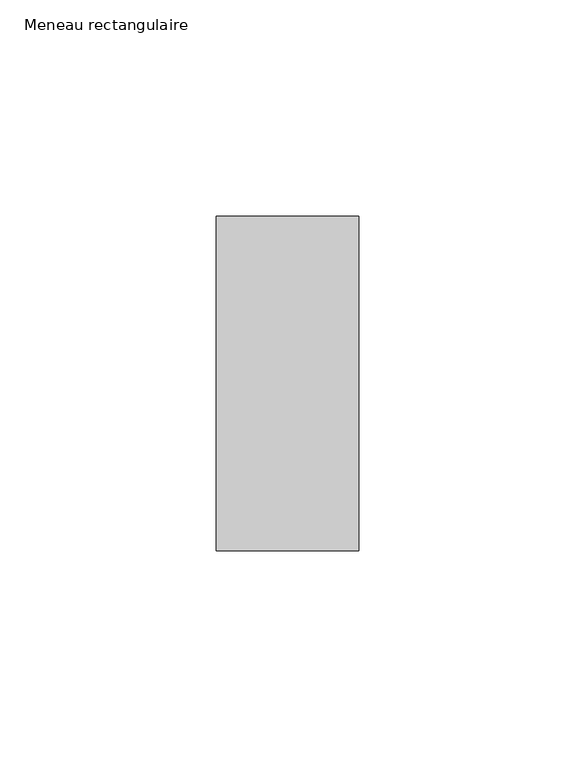
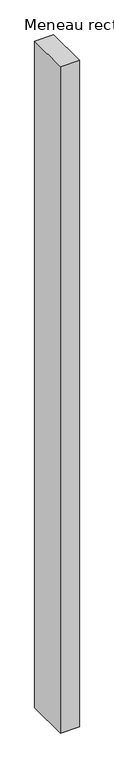
"""IFC4 building model written with IfcOpenShell, lengths in millimetres: member geometry, Meneau rectangulaire."""

from ifc_helpers import new_model, si_unit, frame, origin, place, context, project, spatial, polyline, outline, extrude, source, transform, mapped, element, save


def meneau_rectangulaire_c7e0aab4(model_context):
    return source(origin(), model_context, "Body", "SweptSolid", [
        extrude(outline(polyline([(0.0, 38.75), (0.0, -38.75), (-33.0, -38.75), (-33.0, 38.75), (0.0, 38.75)])), frame((0.0, 0.0, -1227.2500002), z_axis=(0.0, 0.0, 1.0), x_axis=(1.0, 0.0, 0.0)), (0.0, 0.0, 1.0), 1227.2500002),
    ])


if __name__ == "__main__":
    model = new_model("IFC4")
    model_context = context("Model", 3, world=origin())
    ifc_project = project(units=[si_unit("LENGTHUNIT", "METRE", prefix="MILLI")], contexts=[model_context])
    site = spatial("IfcSite", under=ifc_project)
    building = spatial("IfcBuilding", under=site)
    placement = place(None, origin())
    meneau_rectangulaire_shape = meneau_rectangulaire_c7e0aab4(model_context)
    element("IfcMember", 1, ObjectType="Meneau rectangulaire", at=placement, inside=building, context=model_context, shape_type="MappedRepresentation", body=[
        mapped(meneau_rectangulaire_shape, transform((0.0, 0.0, 0.0), x_axis=(1.0, 0.0, 0.0), y_axis=(0.0, 1.0, 0.0), z_axis=(0.0, 0.0, 1.0))),
    ])
    save(model, "model.ifc")
